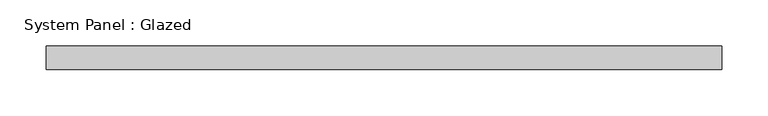
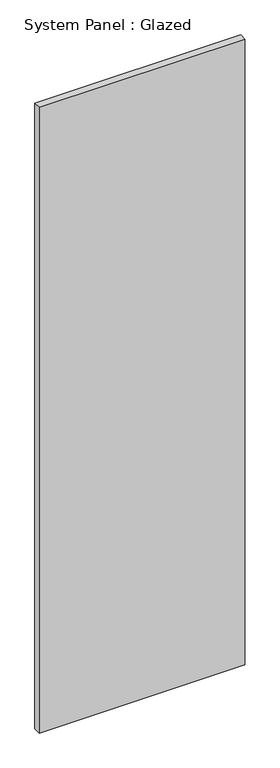
"""IFC4 building model written with IfcOpenShell, lengths in millimetres: plate geometry, System Panel : Glazed."""

from ifc_helpers import new_model, si_unit, origin, origin_with_axes, place, context, project, spatial, polyline, outline, extrude, source, transform, mapped, element, save


def system_panel_glazed_52be226d(model_context):
    return source(origin(), model_context, "Body", "SweptSolid", [
        extrude(outline(polyline([(365.125, 0.0), (-365.125, 0.0), (-365.125, 25.4), (365.125, 25.4), (365.125, 0.0)])), origin_with_axes(), (0.0, 0.0, 1.0), 2349.5),
    ])


if __name__ == "__main__":
    model = new_model("IFC4")
    model_context = context("Model", 3, world=origin())
    ifc_project = project(units=[si_unit("LENGTHUNIT", "METRE", prefix="MILLI")], contexts=[model_context])
    site = spatial("IfcSite", under=ifc_project)
    building = spatial("IfcBuilding", under=site)
    placement = place(None, origin())
    system_panel_glazed_shape = system_panel_glazed_52be226d(model_context)
    element("IfcPlate", 1, ObjectType="System Panel : Glazed", at=placement, inside=building, context=model_context, shape_type="MappedRepresentation", body=[
        mapped(system_panel_glazed_shape, transform((0.0, 0.0, 0.0), x_axis=(1.0, 0.0, 0.0), y_axis=(0.0, 1.0, 0.0), z_axis=(0.0, 0.0, 1.0))),
    ])
    save(model, "model.ifc")
